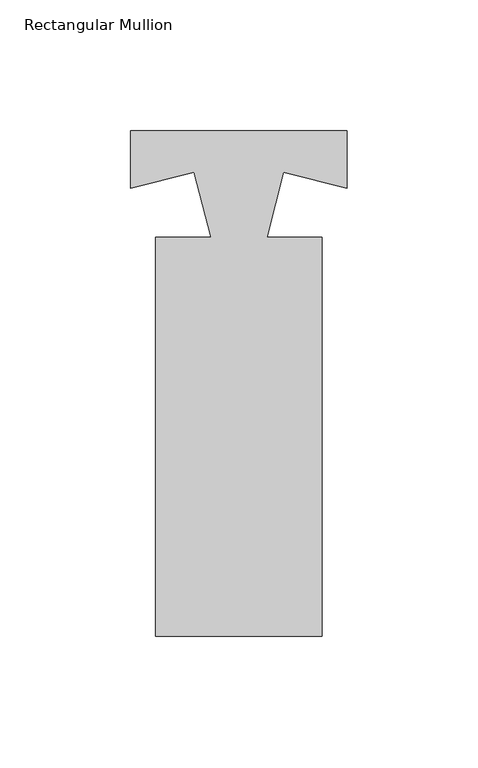
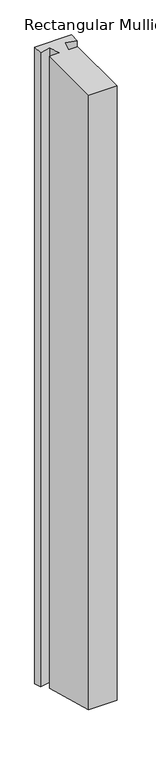
"""IFC4 building model written with IfcOpenShell, lengths in millimetres: member geometry, Rectangular Mullion."""

from ifc_helpers import new_model, si_unit, origin, place, context, project, spatial, faceted_brep, source, transform, mapped, element, save


def rectangular_mullion_c601e852(model_context):
    return source(origin(), model_context, "Body", "Brep", [
        faceted_brep([(-31.75, -6.2508535, 0.0), (-31.75, -158.6508535, 0.0), (31.75, -158.6508535, 0.0), (31.75, -6.2508535, 0.0), (10.6949615, -6.2508535, 0.0), (17.1068964, 18.5824853, 0.0), (41.2744654, 12.3424513, 0.0), (41.2744654, 34.2979445, 0.0), (-41.2744654, 34.2979445, 0.0), (-41.2744654, 12.3424513, 0.0), (-17.1068964, 18.5824853, 0.0), (-10.6949615, -6.2508535, 0.0), (-31.75, -6.2508535, -1496.7109878), (-31.75, -158.6508535, -1455.8755309), (31.75, -158.6508535, -1455.8755309), (31.75, -6.2508535, -1496.7109878), (10.6949615, -6.2508535, -1496.7109878), (17.1068964, 18.5824853, -1503.3650609), (41.2744654, 12.3424513, -1501.6930488), (41.2744654, 34.2979445, -1507.5760055), (-41.2744654, 34.2979445, -1507.5760055), (-41.2744654, 12.3424513, -1501.6930488), (-17.1068964, 18.5824853, -1503.3650609), (-10.6949615, -6.2508535, -1496.7109878)], [[[0, 1, 2, 3, 4, 5, 6, 7, 8, 9, 10, 11]], [[1, 0, 12, 13]], [[2, 1, 13, 14]], [[3, 2, 14, 15]], [[4, 3, 15, 16]], [[5, 4, 16, 17]], [[6, 5, 17, 18]], [[7, 6, 18, 19]], [[8, 7, 19, 20]], [[9, 8, 20, 21]], [[10, 9, 21, 22]], [[11, 10, 22, 23]], [[0, 11, 23, 12]], [[12, 23, 22, 21, 20, 19, 18, 17, 16, 15, 14, 13]]]),
    ])


if __name__ == "__main__":
    model = new_model("IFC4")
    model_context = context("Model", 3, world=origin())
    ifc_project = project(units=[si_unit("LENGTHUNIT", "METRE", prefix="MILLI")], contexts=[model_context])
    site = spatial("IfcSite", under=ifc_project)
    building = spatial("IfcBuilding", under=site)
    placement = place(None, origin())
    rectangular_mullion_shape = rectangular_mullion_c601e852(model_context)
    element("IfcMember", 1, ObjectType="Rectangular Mullion", at=placement, inside=building, context=model_context, shape_type="MappedRepresentation", body=[
        mapped(rectangular_mullion_shape, transform((0.0, 0.0, 0.0), x_axis=(1.0, 0.0, 0.0), y_axis=(0.0, 1.0, 0.0), z_axis=(0.0, 0.0, 1.0))),
    ])
    save(model, "model.ifc")
